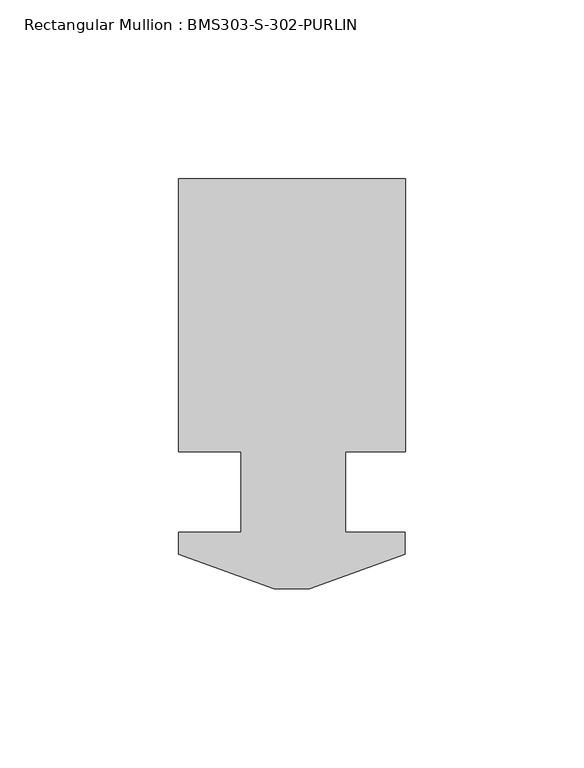
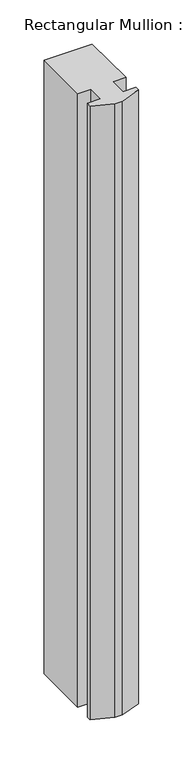
"""IFC4 building model written with IfcOpenShell, lengths in millimetres: member geometry, Rectangular Mullion : BMS303-S-302-PURLIN."""

from ifc_helpers import new_model, si_unit, frame, origin, place, context, project, spatial, polyline, outline, extrude, source, transform, mapped, element, save


def rectangular_mullion_bms303_s_302_purlin_31696bff(model_context):
    return source(origin(), model_context, "Body", "SweptSolid", [
        extrude(outline(polyline([(-31.75, 138.839575), (31.75, 138.839575), (31.75, 62.309375), (15.065769, 62.309375), (15.065769, 39.830375), (31.7249979, 39.830375), (31.7249979, 33.734375), (4.9272021, 23.980775), (-4.9772064, 23.980775), (-31.7750021, 33.734375), (-31.7750021, 39.830375), (-14.2875, 39.830375), (-14.2875, 62.309375), (-31.75, 62.309375), (-31.75, 138.839575)])), frame((0.0, 0.0, -850.9), z_axis=(0.0, 0.0, 1.0), x_axis=(1.0, 0.0, 0.0)), (0.0, 0.0, 1.0), 850.9),
    ])


if __name__ == "__main__":
    model = new_model("IFC4")
    model_context = context("Model", 3, world=origin())
    ifc_project = project(units=[si_unit("LENGTHUNIT", "METRE", prefix="MILLI")], contexts=[model_context])
    site = spatial("IfcSite", under=ifc_project)
    building = spatial("IfcBuilding", under=site)
    placement = place(None, origin())
    rectangular_mullion_bms303_s_302_purlin_shape = rectangular_mullion_bms303_s_302_purlin_31696bff(model_context)
    element("IfcMember", 1, ObjectType="Rectangular Mullion : BMS303-S-302-PURLIN", at=placement, inside=building, context=model_context, shape_type="MappedRepresentation", body=[
        mapped(rectangular_mullion_bms303_s_302_purlin_shape, transform((0.0, 0.0, 0.0), x_axis=(1.0, 0.0, 0.0), y_axis=(0.0, 1.0, 0.0), z_axis=(0.0, 0.0, 1.0))),
    ])
    save(model, "model.ifc")
